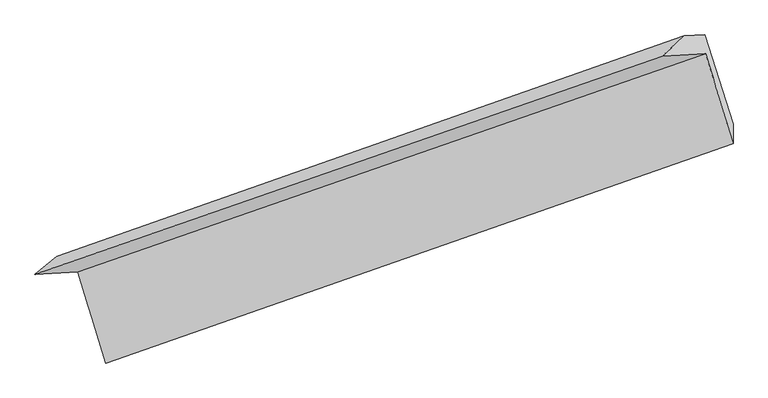
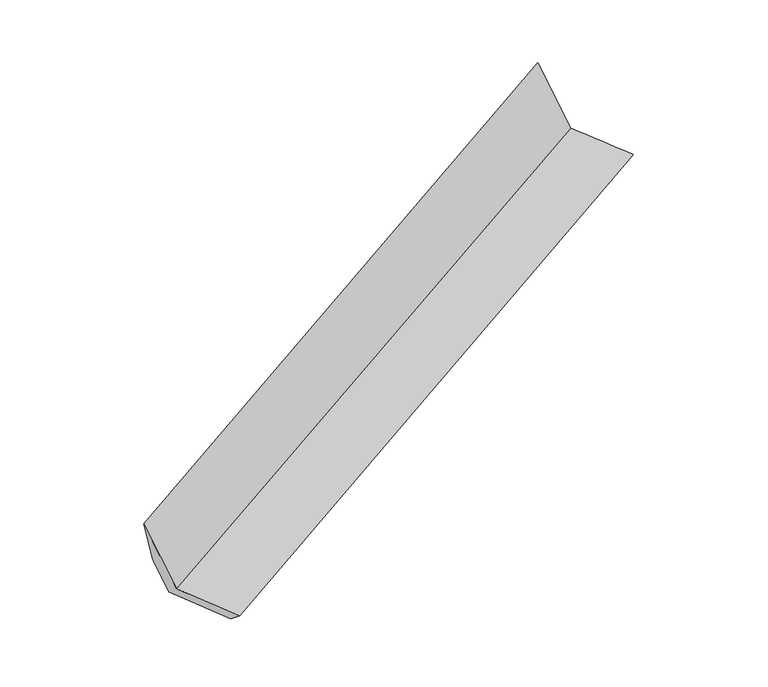
"""IFC4 building model written with IfcOpenShell, lengths in millimetres: proxy geometry."""

from ifc_helpers import new_model, si_unit, frame, origin, place, context, project, spatial, source, transform, mapped, element, save
from ifc_brep_helpers import plane_surface, spline_surface, advanced_brep


def generic_models_95c927ce(model_context):
    return source(origin(), model_context, "Body", "AdvancedBrep", [
        advanced_brep(
        [(-5056.9792972, -2123.4976827, 835.4705341), (-4862.5137314, -2763.8557014, 902.5839988), (-449.4637558, -1219.3334121, 2782.3982315), (-642.1320288, -586.2352169, 2715.8765253), (-5359.0530231, -2138.9672101, 1563.147198), (-947.0918094, -601.8525423, 3450.5055141), (-5205.3399547, -2011.8939319, 1094.6936157), (-793.0855313, -460.7336867, 2969.5558911), (-5055.6485408, -2004.2280702, 734.0963862), (-649.3175249, -453.3711692, 2623.2277789), (-4862.34511, -2623.4149384, 786.5248341), (-449.2608548, -1081.2596484, 2667.963924)],
        [
            (0, 1),
            (1, 2),
            (2, 3),
            (3, 0),
            (4, 0),
            (3, 5),
            (5, 4),
            (6, 4),
            (5, 7),
            (7, 6),
            (8, 6),
            (7, 9),
            (9, 8),
            (10, 8),
            (9, 11),
            (11, 10),
            (1, 10),
            (11, 2),
        ],
        [
            spline_surface(1, 1, [[(-5056.9792972, -2123.4976827, 835.4705341), (-642.1320288, -586.2352169, 2715.8765253)], [(-4862.5137314, -2763.8557014, 902.5839988), (-449.4637558, -1219.3334121, 2782.3982315)]], [2, 2], [2, 2], [0.0, 1.0], [0.0, 1.0]),
            plane_surface(frame((-5208.0161601, -2131.2324464, 1199.308866), z_axis=(0.28904126193755025, -0.952105981920356, 0.09974641892831781), x_axis=(0.38332464614491707, 0.019630476303533668, -0.9234050357551504))),
            spline_surface(1, 1, [[(-5205.3399547, -2011.8939319, 1094.6936157), (-793.0855313, -460.7336867, 2969.5558911)], [(-5359.0530231, -2138.9672101, 1563.147198), (-947.0918094, -601.8525423, 3450.5055141)]], [2, 2], [2, 2], [0.0, 1.0], [0.0, 1.0]),
            plane_surface(frame((-5130.4942478, -2008.061001, 914.3950009), z_axis=(-0.2915704497294769, 0.95122183624318, -0.10081513328217899), x_axis=(-0.3833246461449182, -0.019630476303533834, 0.9234050357551499))),
            spline_surface(1, 1, [[(-4862.34511, -2623.4149384, 786.5248341), (-449.2608548, -1081.2596484, 2667.963924)], [(-5055.6485408, -2004.2280702, 734.0963862), (-649.3175249, -453.3711692, 2623.2277789)]], [2, 2], [2, 2], [0.0, 1.0], [0.0, 1.0]),
            spline_surface(1, 1, [[(-4862.5137314, -2763.8557014, 902.5839988), (-449.4637558, -1219.3334121, 2782.3982315)], [(-4862.34511, -2623.4149384, 786.5248341), (-449.2608548, -1081.2596484, 2667.963924)]], [2, 2], [2, 2], [0.0, 1.0], [0.0, 1.0]),
            plane_surface(frame((-655.0585842, -733.7976126, 2868.2546441), z_axis=(0.8770097873739195, 0.30583358066023725, 0.3705666657848362), x_axis=(-0.3833246461449182, -0.019630476303533834, 0.9234050357551499))),
            plane_surface(frame((-5066.9799429, -2277.6429224, 986.0860945), z_axis=(-0.877192558634346, -0.3052323678633354, -0.3706297568801933), x_axis=(-0.2891287442202951, 0.9520755463767767, -0.09978338166727674))),
        ],
        [
            (0, [[1, 2, 3, 4]]),
            (1, [[5, -4, 6, 7]]),
            (2, [[8, -7, 9, 10]]),
            (3, [[11, -10, 12, 13]]),
            (4, [[14, -13, 15, 16]]),
            (5, [[17, -16, 18, -2]]),
            (6, [[-12, -9, -6, -3, -18, -15]]),
            (7, [[-1, -5, -8, -11, -14, -17]]),
        ],
    ),
    ])


if __name__ == "__main__":
    model = new_model("IFC4")
    model_context = context("Model", 3, world=origin())
    ifc_project = project(units=[si_unit("LENGTHUNIT", "METRE", prefix="MILLI")], contexts=[model_context])
    site = spatial("IfcSite", under=ifc_project)
    building = spatial("IfcBuilding", under=site)
    placement = place(None, origin())
    generic_models_shape = generic_models_95c927ce(model_context)
    element("IfcBuildingElementProxy", 1, Name="Generic Models", at=placement, inside=building, context=model_context, shape_type="MappedRepresentation", body=[
        mapped(generic_models_shape, transform((0.0, 0.0, 0.0), x_axis=(1.0, 0.0, 0.0), y_axis=(0.0, 1.0, 0.0), z_axis=(0.0, 0.0, 1.0))),
    ])
    save(model, "model.ifc")
